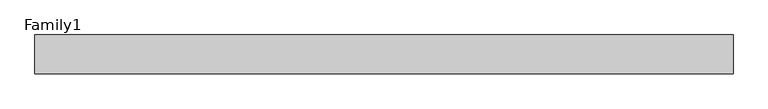
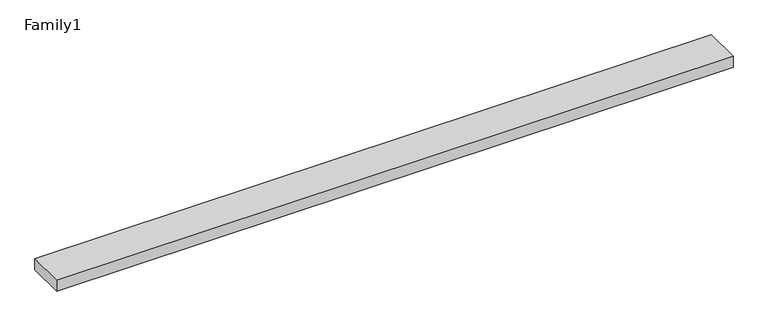
"""IFC4 building model written with IfcOpenShell, lengths in millimetres: proxy geometry, Family1."""

import ifcopenshell
import ifcopenshell.guid

model = None  # the IFC model being written
_history = None  # IfcOwnerHistory: only IFC2X3 demands one
_inside = {}  # id of a spatial element -> (the spatial element, [elements in it])
_under = {}  # id of a project, library or spatial element -> (it, [spatial elements below it])
_declared = {}  # id of a project -> (the project, [libraries it declares])
_typed = {}  # id of a type object -> (the type object, [elements of that type])
_made_of = {}  # id of a material, layer set ... -> (it, [elements and type objects made of it])


def new_model(schema):
    """Start an empty IFC model of exactly this schema.

    Asked for "IFC4X3", IfcOpenShell would pick the latest addendum, in which some entities
    have other attributes; the version numbers below select the first issue.
    IFC2X3 requires an IfcOwnerHistory on every rooted entity: one is made here for all.
    """
    global model, _history
    if schema == "IFC4X3":
        model = ifcopenshell.file(schema_version=(4, 3, 0, 0))
    else:
        model = ifcopenshell.file(schema=schema)
    _inside.clear()
    _under.clear()
    _declared.clear()
    _typed.clear()
    _made_of.clear()
    _history = None
    if model.schema == "IFC2X3":
        org = make("IfcOrganization", Name="unknown")
        user = make(
            "IfcPersonAndOrganization",
            ThePerson=make("IfcPerson", FamilyName="unknown"),
            TheOrganization=org,
        )
        app = make(
            "IfcApplication",
            ApplicationDeveloper=org,
            Version="unknown",
            ApplicationFullName="unknown",
            ApplicationIdentifier="unknown",
        )
        _history = make(
            "IfcOwnerHistory",
            OwningUser=user,
            OwningApplication=app,
            ChangeAction="ADDED",
            CreationDate=0,
        )
    return model


def make(cls, **values):
    """One entity of the class cls with the attributes given. An attribute that is None is left unset."""
    return model.create_entity(
        cls, **{name: value for name, value in values.items() if value is not None}
    )


def rooted(cls, **values):
    """An entity with a GlobalId (a new one), such as an element, a storey or a relation."""
    return make(cls, GlobalId=ifcopenshell.guid.new(), OwnerHistory=_history, **values)


def si_unit(unit_type, name, prefix=None):
    """IfcSIUnit, for example si_unit("LENGTHUNIT", "METRE", prefix="MILLI")."""
    return make("IfcSIUnit", UnitType=unit_type, Prefix=prefix, Name=name)


def assignment(units):
    """IfcUnitAssignment: the units of a project."""
    return None if units is None else make("IfcUnitAssignment", Units=units)


def point(xyz):
    """IfcCartesianPoint."""
    return None if xyz is None else make("IfcCartesianPoint", Coordinates=xyz)


def direction(xyz):
    """IfcDirection."""
    return None if xyz is None else make("IfcDirection", DirectionRatios=xyz)


def frame(location, z_axis=None, x_axis=None):
    """IfcAxis2Placement3D, a coordinate frame: its origin and axes. An axis left out is left unset."""
    return make(
        "IfcAxis2Placement3D",
        Location=point(location),
        Axis=direction(z_axis),
        RefDirection=direction(x_axis),
    )


def origin():
    """The frame at (0, 0, 0) with its axes left unset."""
    return frame((0.0, 0.0, 0.0))


def origin_with_axes():
    """The frame at (0, 0, 0) with the z axis (0, 0, 1) and the x axis (1, 0, 0) written out."""
    return frame((0.0, 0.0, 0.0), z_axis=(0.0, 0.0, 1.0), x_axis=(1.0, 0.0, 0.0))


def place(relative_to, where):
    """IfcLocalPlacement: puts the frame where relative to a parent placement (None: the world)."""
    return make(
        "IfcLocalPlacement", PlacementRelTo=relative_to, RelativePlacement=where
    )


def context(
    kind, dimensions, precision=None, world=None, true_north=None, identifier=None
):
    """IfcGeometricRepresentationContext, for example the 3D "Model" context."""
    return make(
        "IfcGeometricRepresentationContext",
        ContextIdentifier=identifier,
        ContextType=kind,
        CoordinateSpaceDimension=dimensions,
        Precision=precision,
        WorldCoordinateSystem=world,
        TrueNorth=true_north,
    )


def project(units=None, contexts=None):
    """IfcProject with its units and contexts."""
    return rooted(
        "IfcProject",
        Name="project",
        RepresentationContexts=contexts,
        UnitsInContext=assignment(units),
    )


def spatial(cls, under=None, at=None, **own):
    """A site, building, storey or space (cls), placed at a placement, below another one or the project."""
    s = rooted(cls, ObjectPlacement=at, **own)
    if under is not None:
        _under.setdefault(under.id(), (under, []))[1].append(s)
    return s


def polyline(points):
    """IfcPolyline through the points."""
    return make("IfcPolyline", Points=[point(p) for p in points])


def outline(outer, holes=None, kind="AREA"):
    """IfcArbitraryClosedProfileDef: a profile drawn as a closed curve; with holes, ...WithVoids."""
    if holes is None:
        return make("IfcArbitraryClosedProfileDef", ProfileType=kind, OuterCurve=outer)
    return make(
        "IfcArbitraryProfileDefWithVoids",
        ProfileType=kind,
        OuterCurve=outer,
        InnerCurves=holes,
    )


def extrude(swept, where, along, depth):
    """IfcExtrudedAreaSolid: the profile swept, set in the frame where, extruded along a direction by depth."""
    return make(
        "IfcExtrudedAreaSolid",
        SweptArea=swept,
        Position=where,
        ExtrudedDirection=direction(along),
        Depth=depth,
    )


def shape(context_of_items, identifier, shape_type, items):
    """IfcShapeRepresentation: the items that make up one representation, for example the "Body"."""
    return make(
        "IfcShapeRepresentation",
        ContextOfItems=context_of_items,
        RepresentationIdentifier=identifier,
        RepresentationType=shape_type,
        Items=items,
    )


def source(mapping_origin, context_of_items, identifier, shape_type, items):
    """IfcRepresentationMap: a shape defined once, which mapped items show again and again."""
    return make(
        "IfcRepresentationMap",
        MappingOrigin=mapping_origin,
        MappedRepresentation=shape(context_of_items, identifier, shape_type, items),
    )


def transform(
    local_origin,
    x_axis=None,
    y_axis=None,
    z_axis=None,
    scale=None,
    scale2=None,
    scale3=None,
    uniform=True,
):
    """IfcCartesianTransformationOperator3D, or its non-uniform kind. x_axis, y_axis, z_axis: its Axis1, 2, 3."""
    if uniform:
        return make(
            "IfcCartesianTransformationOperator3D",
            Axis1=direction(x_axis),
            Axis2=direction(y_axis),
            LocalOrigin=point(local_origin),
            Scale=scale,
            Axis3=direction(z_axis),
        )
    return make(
        "IfcCartesianTransformationOperator3DnonUniform",
        Axis1=direction(x_axis),
        Axis2=direction(y_axis),
        LocalOrigin=point(local_origin),
        Scale=scale,
        Axis3=direction(z_axis),
        Scale2=scale2,
        Scale3=scale3,
    )


def mapped(mapping_source, mapping_target):
    """IfcMappedItem: shows the shape of a source again, moved by a transform."""
    return make(
        "IfcMappedItem", MappingSource=mapping_source, MappingTarget=mapping_target
    )


def made_of(thing, what):
    """Note that an element or type object is made of a material, layer set ...; save() writes the relation."""
    if what is not None:
        _made_of.setdefault(what.id(), (what, []))[1].append(thing)
    return thing


def element(
    cls,
    number,
    at=None,
    inside=None,
    cuts=None,
    type_object=None,
    material=None,
    context=None,
    identifier="Body",
    shape_type=None,
    held_by="IfcProductDefinitionShape",
    body=None,
    shapes=None,
    **own,
):
    """One element of the class cls, such as IfcWall. Its Tag is "e" and its number.

    at: its placement. inside: the storey or other place that contains it. cuts: it is an
    opening in that element (IfcRelVoidsElement). A single representation is given by context,
    identifier, shape_type and body (its items); several are given by shapes. held_by: the class
    of the entity that holds the representations. save() writes the other relations.
    """
    e = rooted(cls, Tag="e%d" % number, ObjectPlacement=at, **own)
    if body is not None:
        shapes = [shape(context, identifier, shape_type, body)]
    if shapes is not None:
        e.Representation = make(held_by, Representations=shapes)
    if inside is not None:
        _inside.setdefault(inside.id(), (inside, []))[1].append(e)
    if cuts is not None:
        rooted(
            "IfcRelVoidsElement", RelatingBuildingElement=cuts, RelatedOpeningElement=e
        )
    if type_object is not None:
        _typed.setdefault(type_object.id(), (type_object, []))[1].append(e)
    return made_of(e, material)


def aggregate(whole, parts):
    """IfcRelAggregates: a whole, such as a stair, and the parts it consists of."""
    return rooted("IfcRelAggregates", RelatingObject=whole, RelatedObjects=parts)


def save(model, path):
    """Write the relations noted so far, then the file.

    IfcRelAggregates (storeys below a building ...), IfcRelContainedInSpatialStructure (elements
    in a storey), IfcRelDefinesByType, IfcRelAssociatesMaterial and IfcRelDeclares: one each for
    every whole, place, type object, material and project.
    """
    for whole, parts in _under.values():
        aggregate(whole, parts)
    for where, things in _inside.values():
        rooted(
            "IfcRelContainedInSpatialStructure",
            RelatedElements=things,
            RelatingStructure=where,
        )
    for kind, things in _typed.values():
        rooted("IfcRelDefinesByType", RelatedObjects=things, RelatingType=kind)
    for what, things in _made_of.values():
        rooted("IfcRelAssociatesMaterial", RelatedObjects=things, RelatingMaterial=what)
    for by, libraries in _declared.values():
        rooted("IfcRelDeclares", RelatingContext=by, RelatedDefinitions=libraries)
    model.write(path)


def family1_e5a1b6b4(model_context):
    return source(origin(), model_context, "Body", "SweptSolid", [
        extrude(outline(polyline([(90000.0, 0.0), (0.0, 0.0), (0.0, 5000.0), (90000.0, 5000.0), (90000.0, 0.0)])), origin_with_axes(), (0.0, 0.0, 1.0), 1488.0),
    ])


if __name__ == "__main__":
    model = new_model("IFC4")
    model_context = context("Model", 3, world=origin())
    ifc_project = project(units=[si_unit("LENGTHUNIT", "METRE", prefix="MILLI")], contexts=[model_context])
    site = spatial("IfcSite", under=ifc_project)
    building = spatial("IfcBuilding", under=site)
    placement = place(None, origin())
    family1_shape = family1_e5a1b6b4(model_context)
    element("IfcBuildingElementProxy", 1, Name="Family1", ObjectType="Family1", at=placement, inside=building, context=model_context, shape_type="MappedRepresentation", body=[
        mapped(family1_shape, transform((0.0, 0.0, 0.0), x_axis=(1.0, 0.0, 0.0), y_axis=(0.0, 1.0, 0.0), z_axis=(0.0, 0.0, 1.0))),
    ])
    save(model, "model.ifc")
